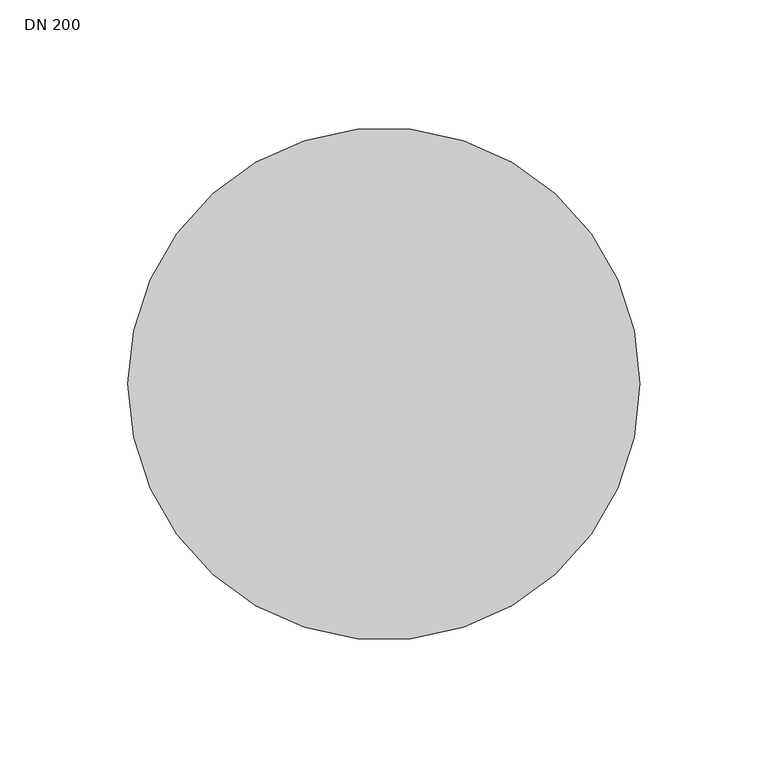
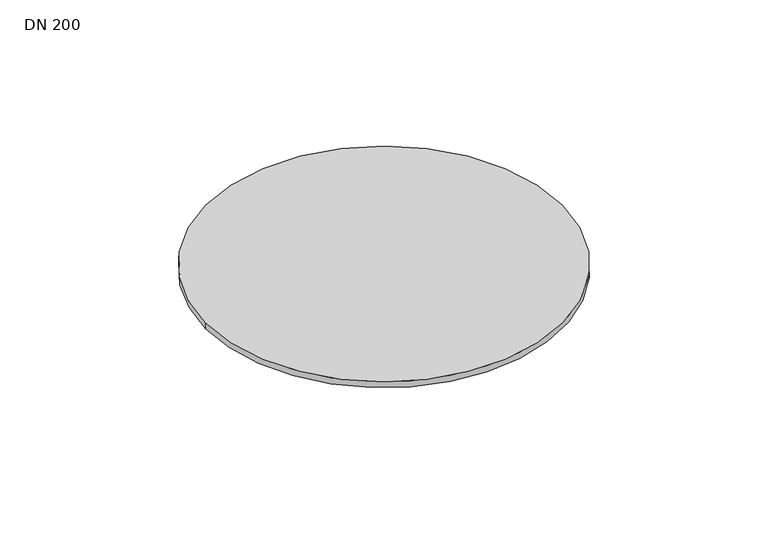
"""IFC4 building model written with IfcOpenShell, lengths in millimetres: proxy geometry, DN 200."""

from ifc_helpers import new_model, si_unit, point, frame, origin, origin_2d, place, context, project, spatial, circle_curve, trimmed, segment, composite_curve, outline, extrude, source, transform, mapped, element, save


def dn_200_b631aad4(model_context):
    return source(origin(), model_context, "Body", "SweptSolid", [
        extrude(outline(composite_curve([segment(trimmed(circle_curve(origin_2d(), 100.0), [point((-100.0, 0.0))], [point((100.0, 0.0))], False, "CARTESIAN"), True, "CONTINUOUS"), segment(trimmed(circle_curve(origin_2d(), 100.0), [point((100.0, 0.0))], [point((-100.0, 0.0))], False, "CARTESIAN"), True, "CONTINUOUS")], self_intersect=False)), frame((0.0, 0.0, -3.5), z_axis=(0.0, 0.0, 1.0), x_axis=(1.0, 0.0, 0.0)), (0.0, 0.0, 1.0), 3.5),
    ])


if __name__ == "__main__":
    model = new_model("IFC4")
    model_context = context("Model", 3, world=origin())
    ifc_project = project(units=[si_unit("LENGTHUNIT", "METRE", prefix="MILLI")], contexts=[model_context])
    site = spatial("IfcSite", under=ifc_project)
    building = spatial("IfcBuilding", under=site)
    placement = place(None, origin())
    dn_200_shape = dn_200_b631aad4(model_context)
    element("IfcBuildingElementProxy", 1, Name="DN 200", ObjectType="DN 200", at=placement, inside=building, context=model_context, shape_type="MappedRepresentation", body=[
        mapped(dn_200_shape, transform((0.0, 0.0, 0.0), x_axis=(1.0, 0.0, 0.0), y_axis=(0.0, 1.0, 0.0), z_axis=(0.0, 0.0, 1.0))),
    ])
    save(model, "model.ifc")
